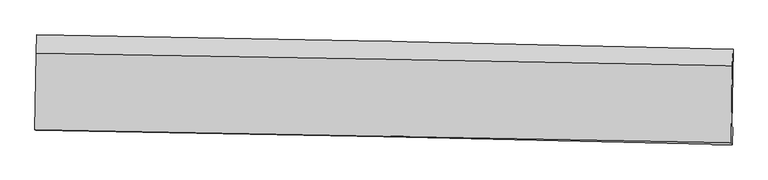
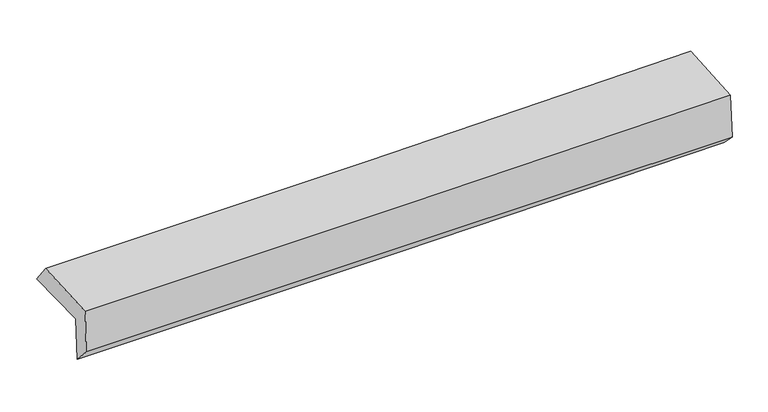
"""IFC4 building model written with IfcOpenShell, lengths in millimetres: proxy geometry."""

from ifc_helpers import new_model, si_unit, frame, origin, place, context, project, spatial, source, transform, mapped, element, save
from ifc_brep_helpers import plane_surface, spline_curve, spline_surface, advanced_brep


def generic_models_60f81eac(model_context):
    return source(origin(), model_context, "Body", "AdvancedBrep", [
        advanced_brep(
        [(-3026.7314526, -1729.616785, 1948.385313), (-3016.0441786, -1070.0799272, 1944.2546519), (3015.7117067, -1193.1636885, 2108.9649966), (3005.2954374, -1860.178462, 2092.6005652), (-3019.1707201, -1738.6884094, 1544.7185907), (3013.0259995, -1870.1669546, 1679.2658731), (-3024.9843706, -1896.4810694, 1716.2920159), (3007.6867862, -2022.1235597, 1830.9055979), (-3032.6425858, -1892.3168918, 2120.9302761), (3000.1661277, -2004.1138714, 2240.0035835), (-3022.4259104, -1227.8942347, 2145.5653899), (3010.2897687, -1336.2701151, 2272.3940188)],
        [
            (0, 1),
            (1, 2, spline_curve(3, [(-3016.0441786, -1070.0799272, 1944.2546519), (-2010.235251414, -1085.853274599, 1950.53882182), (-1004.702393209, -1103.996477634, 1967.405901334), (1005.882941045, -1145.024060001, 2022.307838862), (2010.935377989, -1167.908777253, 2060.344207594), (3015.7117067, -1193.1636885, 2108.9649966)], [4, 2, 4], [0.0, 9.900339571216199, 19.801385834641337])),
            (2, 3),
            (3, 0, spline_curve(3, [(3005.2954374, -1860.178462, 2092.6005652), (2000.38360495, -1831.184548355, 2054.227444225), (995.240832977, -1805.807192427, 2023.022772996), (-1015.434829918, -1762.287149561, 1974.952045602), (-2020.967688123, -1744.143946626, 1958.084966088), (-3026.7314526, -1729.616785, 1948.385313)], [4, 2, 4], [0.0, 9.901046263425139, 19.801385834641337])),
            (4, 0),
            (3, 5),
            (5, 4, spline_curve(3, [(3013.0259995, -1870.1669546, 1679.2658731), (2008.029251079, -1840.714601472, 1645.726794738), (1002.829869574, -1815.031622807, 1617.744779874), (-1007.902399494, -1771.205979088, 1572.896479318), (-2013.43525742, -1753.062775978, 1556.029399497), (-3019.1707201, -1738.6884094, 1544.7185907)], [4, 2, 4], [0.0, 9.900788176823786, 19.800869679859694])),
            (6, 4),
            (5, 7),
            (7, 6, spline_curve(3, [(3007.6867862, -2022.1235597, 1830.9055979), (2002.452816541, -1995.58926853, 1807.33348835), (997.09528903, -1971.851641668, 1785.996040436), (-1013.795114307, -1929.971210804, 1747.791832035), (-2019.32797238, -1911.828007614, 1730.924752528), (-3024.9843706, -1896.4810694, 1716.2920159)], [4, 2, 4], [0.0, 9.900561345411258, 19.800416033224845])),
            (8, 6),
            (7, 9),
            (9, 8, spline_curve(3, [(3000.1661277, -2004.1138714, 2240.0035835), (1994.86337882, -1984.502418038, 2214.201584668), (989.459999088, -1965.379961462, 2191.377561399), (-1021.476253129, -1928.114371111, 2151.686884322), (-2027.009111347, -1909.971168222, 2134.819804811), (-3032.6425858, -1892.3168918, 2120.9302761)], [4, 2, 4], [0.0, 9.900406745570656, 19.800106844578284])),
            (10, 8),
            (9, 11),
            (11, 10, spline_curve(3, [(3010.2897687, -1336.2701151, 2272.3940188), (2005.033537399, -1318.369231584, 2242.714312859), (999.661169329, -1300.387141387, 2217.30518277), (-1011.244073676, -1264.26183629, 2175.029583005), (-2016.776931774, -1246.118633139, 2158.162503174), (-3022.4259104, -1227.8942347, 2145.5653899)], [4, 2, 4], [0.0, 9.900395059316223, 19.80008347290353])),
            (1, 10),
            (11, 2),
        ],
        [
            spline_surface(3, 3, [[(-3026.7314526, -1729.616785, 1948.385313), (-2020.967688146, -1744.143946531, 1958.084966091), (-1015.434829955, -1762.287149612, 1974.952045559), (995.240833014, -1805.807192376, 2023.022773038), (2000.383604816, -1831.18454827, 2054.227444278), (3005.2954374, -1860.178462, 2092.6005652)], [(-3023.169027944, -1509.771165753, 1947.008425972), (-2017.390209288, -1524.713722571, 1955.569584719), (-1011.857351096, -1542.856925652, 1972.436664187), (998.788202393, -1585.546148191, 2022.784461621), (2003.900862566, -1610.092624556, 2056.266365353), (3008.767527169, -1637.840204167, 2098.05537565)], [(-3019.606603256, -1289.925546447, 1945.631538928), (-2013.812730397, -1305.283498551, 1953.054203331), (-1008.279872205, -1323.426701732, 1969.9212828), (1002.335571804, -1365.285104047, 2022.546150187), (2007.418120308, -1389.000700843, 2058.305286477), (3012.239616931, -1415.501946333, 2103.51018615)], [(-3016.0441786, -1070.0799272, 1944.2546519), (-2010.235251539, -1085.853274591, 1950.538821959), (-1004.702393347, -1103.996477772, 1967.405901428), (1005.882941183, -1145.024059862, 2022.307838769), (2010.935378058, -1167.90877713, 2060.344207552), (3015.7117067, -1193.1636885, 2108.9649966)]], [4, 4], [4, 2, 4], [0.0, 2.164161764448248], [0.0, 9.900339571216199, 19.801385834641337]),
            spline_surface(3, 3, [[(-3019.1707201, -1738.6884094, 1544.7185907), (-2013.435257547, -1753.062775927, 1556.029399588), (-1007.902399355, -1771.205979108, 1572.896479157), (1002.829869435, -1815.031622787, 1617.744780036), (2008.029251114, -1840.714601322, 1645.726794613), (3013.0259995, -1870.1669546, 1679.2658731)], [(-3021.690964263, -1735.664534583, 1679.274164784), (-2015.946067743, -1750.089832778, 1690.04792174), (-1010.413209552, -1768.23303596, 1706.915001308), (1000.300190631, -1811.956812666, 1752.837444387), (2005.480702357, -1837.537916959, 1781.893677838), (3010.449145475, -1866.837457054, 1817.044103803)], [(-3024.211208437, -1732.640659817, 1813.829738916), (-2018.45687795, -1747.116889679, 1824.066443939), (-1012.924019758, -1765.260092761, 1840.933523408), (997.770511818, -1808.882002496, 1887.930108687), (2002.932153573, -1834.361232633, 1918.060561053), (3007.872291425, -1863.507959546, 1954.822334497)], [(-3026.7314526, -1729.616785, 1948.385313), (-2020.967688146, -1744.143946531, 1958.084966091), (-1015.434829955, -1762.287149612, 1974.952045559), (995.240833014, -1805.807192376, 2023.022773038), (2000.383604816, -1831.18454827, 2054.227444278), (3005.2954374, -1860.178462, 2092.6005652)]], [4, 4], [4, 2, 4], [0.0, 1.3249330659534548], [0.0, 9.900081503035908, 19.800869679859694]),
            spline_surface(3, 3, [[(-3024.9843706, -1896.4810694, 1716.2920159), (-2019.327972449, -1911.828007607, 1730.9247525), (-1013.795114258, -1929.971210788, 1747.791832068), (997.095288981, -1971.851641683, 1785.996040403), (2002.452816386, -1995.589268587, 1807.333488187), (3007.6867862, -2022.1235597, 1830.9055979)], [(-3023.046487097, -1843.883516076, 1659.100874173), (-2017.363734146, -1858.906263723, 1672.626301536), (-1011.830875954, -1877.049466905, 1689.493381104), (999.006815801, -1919.578302061, 1729.912286954), (2004.311627961, -1943.964379509, 1753.464590339), (3009.466523966, -1971.47135801, 1780.359022976)], [(-3021.108603603, -1791.285962724, 1601.909732427), (-2015.39949585, -1805.984519811, 1614.327850552), (-1009.866637658, -1824.127722992, 1631.194930121), (1000.918342614, -1867.304962409, 1673.828533485), (2006.170439539, -1892.3394904, 1699.595692461), (3011.246261734, -1920.81915629, 1729.812448024)], [(-3019.1707201, -1738.6884094, 1544.7185907), (-2013.435257547, -1753.062775927, 1556.029399588), (-1007.902399355, -1771.205979108, 1572.896479157), (1002.829869435, -1815.031622787, 1617.744780036), (2008.029251114, -1840.714601322, 1645.726794613), (3013.0259995, -1870.1669546, 1679.2658731)]], [4, 4], [4, 2, 4], [0.0, 0.7650029948878657], [0.0, 9.899854687813587, 19.800416033224845]),
            spline_surface(3, 3, [[(-3032.6425858, -1892.3168918, 2120.9302761), (-2027.009111317, -1909.971168082, 2134.819804705), (-1021.476253126, -1928.114371263, 2151.686884173), (989.459999085, -1965.379961309, 2191.377561549), (1994.863378701, -1984.502418031, 2214.201584542), (3000.1661277, -2004.1138714, 2240.0035835)], [(-3030.089847391, -1893.704950983, 1986.050856038), (-2024.448731685, -1910.590114574, 2000.188120641), (-1018.915873494, -1928.733317755, 2017.05520011), (992.005095727, -1967.537188084, 2056.250387805), (1997.393191261, -1988.198034892, 2078.578885749), (3002.673013865, -2010.117100842, 2103.637588293)], [(-3027.537109009, -1895.093010217, 1851.171435962), (-2021.888352081, -1911.209061115, 1865.556436563), (-1016.35549389, -1929.352264297, 1882.423516132), (994.55019234, -1969.694414909, 1921.123214147), (1999.923003827, -1991.893651726, 1942.956186979), (3005.179900035, -2016.120330258, 1967.271593107)], [(-3024.9843706, -1896.4810694, 1716.2920159), (-2019.327972449, -1911.828007607, 1730.9247525), (-1013.795114258, -1929.971210788, 1747.791832068), (997.095288981, -1971.851641683, 1785.996040403), (2002.452816386, -1995.589268587, 1807.333488187), (3007.6867862, -2022.1235597, 1830.9055979)]], [4, 4], [4, 2, 4], [0.0, 1.3278616415581013], [0.0, 9.899700099007628, 19.800106844578284]),
            spline_surface(3, 3, [[(-3022.4259104, -1227.8942347, 2145.5653899), (-2016.776931844, -1246.118633131, 2158.16250331), (-1011.244073653, -1264.261836312, 2175.029582878), (999.661169306, -1300.387141365, 2217.305182897), (2005.033537454, -1318.369231662, 2242.714312977), (3010.2897687, -1336.2701151, 2272.3940188)], [(-3025.831468877, -1449.368453734, 2137.353685285), (-2020.187658346, -1467.402811449, 2150.38160376), (-1014.654800154, -1485.54601463, 2167.248683329), (996.260779222, -1522.05141468, 2208.662642466), (2001.643484525, -1540.413627107, 2233.210070161), (3006.915221689, -1558.884700522, 2261.597207029)], [(-3029.237027323, -1670.842672766, 2129.141980715), (-2023.598384816, -1688.686989764, 2142.600704255), (-1018.065526624, -1706.830192946, 2159.467783723), (992.860389169, -1743.715687994, 2200.020101979), (1998.25343163, -1762.458022586, 2223.705827358), (3003.540674711, -1781.499285978, 2250.800395271)], [(-3032.6425858, -1892.3168918, 2120.9302761), (-2027.009111317, -1909.971168082, 2134.819804705), (-1021.476253126, -1928.114371263, 2151.686884173), (989.459999085, -1965.379961309, 2191.377561549), (1994.863378701, -1984.502418031, 2214.201584542), (3000.1661277, -2004.1138714, 2240.0035835)]], [4, 4], [4, 2, 4], [0.0, 2.1816199521492776], [0.0, 9.899688413587308, 19.80008347290353]),
            spline_surface(3, 3, [[(-3016.0441786, -1070.0799272, 1944.2546519), (-2010.235251539, -1085.853274591, 1950.538821959), (-1004.702393347, -1103.996477772, 1967.405901428), (1005.882941183, -1145.024059862, 2022.307838769), (2010.935378058, -1167.90877713, 2060.344207552), (3015.7117067, -1193.1636885, 2108.9649966)], [(-3018.171422527, -1122.68469637, 2011.358231248), (-2012.415811635, -1139.275060774, 2019.746715757), (-1006.882953443, -1157.418263955, 2036.613795225), (1003.80901723, -1196.811753699, 2087.306953459), (2008.96809786, -1218.062261978, 2121.134242709), (3013.904394036, -1240.865830704, 2163.441337349)], [(-3020.298666473, -1175.28946553, 2078.461810552), (-2014.596371748, -1192.696846948, 2088.954609512), (-1009.063513557, -1210.840050129, 2105.82168908), (1001.735093259, -1248.599447528, 2152.306068207), (2007.000817652, -1268.215746814, 2181.92427782), (3012.097081364, -1288.567972896, 2217.917678051)], [(-3022.4259104, -1227.8942347, 2145.5653899), (-2016.776931844, -1246.118633131, 2158.16250331), (-1011.244073653, -1264.261836312, 2175.029582878), (999.661169306, -1300.387141365, 2217.305182897), (2005.033537454, -1318.369231662, 2242.714312977), (3010.2897687, -1336.2701151, 2272.3940188)]], [4, 4], [4, 2, 4], [0.0, 0.8394831423682783], [0.0, 9.900031292461303, 19.800769255126426]),
            plane_surface(frame((3008.6959711, -1714.3361086, 2037.3557725), z_axis=(0.9996885430209898, -0.016079630462246235, 0.019085660501240623), x_axis=(0.018362629341422992, -0.043972908962962784, -0.9988639532594039))),
            plane_surface(frame((-3023.6665363, -1592.5128863, 1903.3577063), z_axis=(-0.9996885430210425, 0.016079630459414147, -0.01908566050085976), x_axis=(-0.016201765665078763, -0.9998491335204408, 0.006262027447854648))),
        ],
        [
            (0, [[1, 2, 3, 4]]),
            (1, [[5, -4, 6, 7]]),
            (2, [[8, -7, 9, 10]]),
            (3, [[11, -10, 12, 13]]),
            (4, [[14, -13, 15, 16]]),
            (5, [[17, -16, 18, -2]]),
            (6, [[-12, -9, -6, -3, -18, -15]]),
            (7, [[-1, -5, -8, -11, -14, -17]]),
        ],
    ),
    ])


if __name__ == "__main__":
    model = new_model("IFC4")
    model_context = context("Model", 3, world=origin())
    ifc_project = project(units=[si_unit("LENGTHUNIT", "METRE", prefix="MILLI")], contexts=[model_context])
    site = spatial("IfcSite", under=ifc_project)
    building = spatial("IfcBuilding", under=site)
    placement = place(None, origin())
    generic_models_shape = generic_models_60f81eac(model_context)
    element("IfcBuildingElementProxy", 1, Name="Generic Models", at=placement, inside=building, context=model_context, shape_type="MappedRepresentation", body=[
        mapped(generic_models_shape, transform((0.0, 0.0, 0.0), x_axis=(1.0, 0.0, 0.0), y_axis=(0.0, 1.0, 0.0), z_axis=(0.0, 0.0, 1.0))),
    ])
    save(model, "model.ifc")
